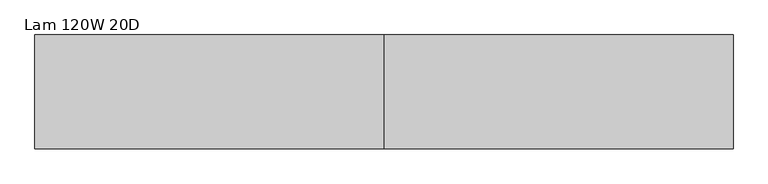
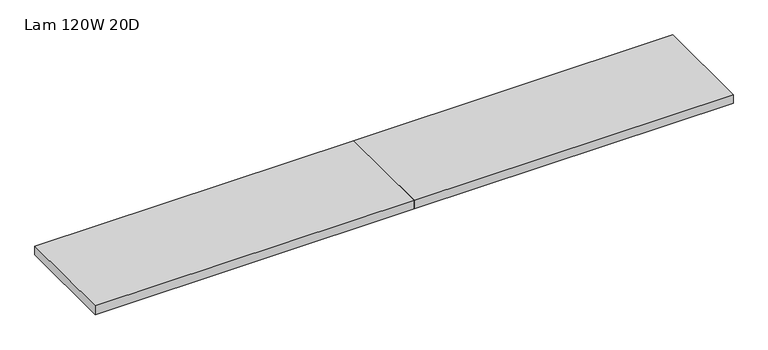
"""IFC4 building model written with IfcOpenShell, lengths in millimetres: furniture geometry, Lam 120W 20D."""

from ifc_helpers import new_model, si_unit, frame, origin, place, context, project, spatial, polyline, outline, extrude, source, transform, mapped, element, save


def lam_120w_20d_8e9210fa(model_context):
    return source(origin(), model_context, "Body", "SweptSolid", [
        extrude(outline(polyline([(3138.17, 254.0), (3138.17, -254.0), (1582.42, -254.0), (1582.42, 254.0), (3138.17, 254.0)])), frame((0.0, 0.0, 1057.275), z_axis=(0.0, 0.0, 1.0), x_axis=(1.0, 0.0, 0.0)), (0.0, 0.0, 1.0), 44.704),
        extrude(outline(polyline([(1582.42, 254.0), (1582.42, -254.0), (26.67, -254.0), (26.67, 254.0), (1582.42, 254.0)])), frame((0.0, 0.0, 1057.275), z_axis=(0.0, 0.0, 1.0), x_axis=(1.0, 0.0, 0.0)), (0.0, 0.0, 1.0), 44.704),
    ])


if __name__ == "__main__":
    model = new_model("IFC4")
    model_context = context("Model", 3, world=origin())
    ifc_project = project(units=[si_unit("LENGTHUNIT", "METRE", prefix="MILLI")], contexts=[model_context])
    site = spatial("IfcSite", under=ifc_project)
    building = spatial("IfcBuilding", under=site)
    placement = place(None, origin())
    lam_120w_20d_shape = lam_120w_20d_8e9210fa(model_context)
    element("IfcFurniture", 1, ObjectType="Lam 120W 20D", at=placement, inside=building, context=model_context, shape_type="MappedRepresentation", body=[
        mapped(lam_120w_20d_shape, transform((0.0, 0.0, 0.0), x_axis=(1.0, 0.0, 0.0), y_axis=(0.0, 1.0, 0.0), z_axis=(0.0, 0.0, 1.0))),
    ])
    save(model, "model.ifc")
